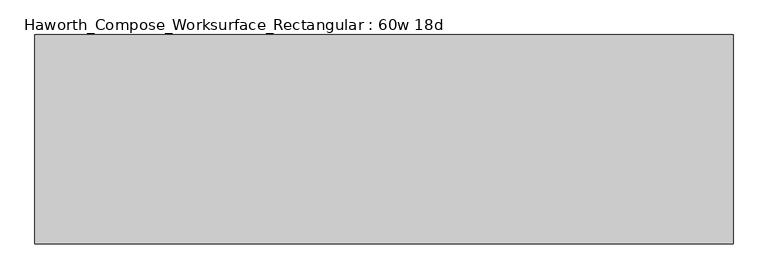
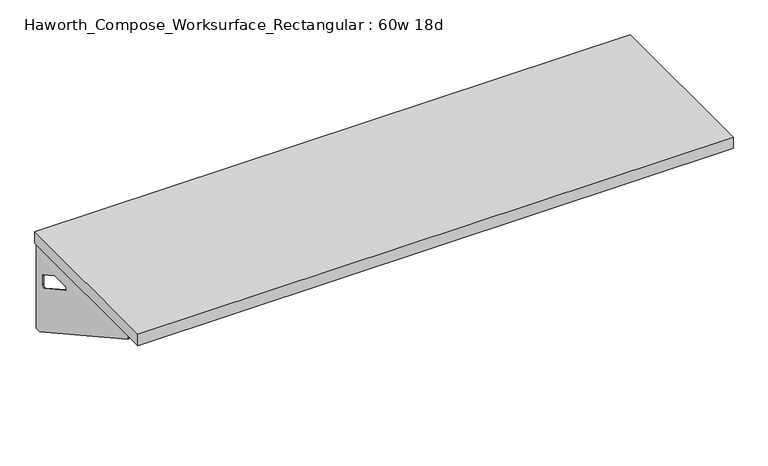
"""IFC4 building model written with IfcOpenShell, lengths in millimetres: furniture geometry, Haworth_Compose_Worksurface_Rectangular : 60w 18d."""

from ifc_helpers import new_model, si_unit, frame, origin, place, context, project, spatial, polyline, circle_curve, outline, extrude, source, transform, mapped, element, save
from ifc_brep_helpers import plane_surface, revolved_surface, advanced_brep


def haworth_compose_worksurface_rectangular_60w_18d_b9bd5556(model_context):
    return source(origin(), model_context, "Body", "SolidModel", [
        advanced_brep(
        [(756.44375, 228.6, 475.45625), (756.44375, 212.725, 475.45625), (756.44375, -177.8, 691.7192568), (756.44375, -177.8, 704.05625), (756.44375, 212.725, 704.05625), (756.44375, 228.6, 704.05625), (756.44375, 145.290072, 665.95625), (756.44375, 101.6355284, 665.95625), (756.44375, 98.9564235, 656.3705539), (756.44375, 190.6776173, 605.5776439), (756.44375, 200.025, 611.1756969), (756.44375, 200.025, 634.6860246), (756.44375, 198.2730055, 637.5242776), (756.44375, 148.3663437, 665.1613425), (758.825, 228.6, 475.45625), (758.825, 228.6, 704.05625), (758.825, 212.725, 704.05625), (758.825, 212.725, 706.4375), (758.825, -177.8, 706.4375), (758.825, -177.8, 691.7192568), (758.825, 212.725, 475.45625), (758.825, 145.290072, 665.95625), (758.825, 148.3663437, 665.1613425), (758.825, 198.2730055, 637.5242776), (758.825, 200.025, 634.6860246), (758.825, 200.025, 611.1756969), (758.825, 190.6776173, 605.5776439), (758.825, 98.9564235, 656.3705539), (758.825, 101.6355284, 665.95625), (717.55, -177.8, 706.4375), (717.55, -177.8, 704.05625), (717.55, 212.725, 704.05625), (717.55, 212.725, 706.4375)],
        [
            (0, 1),
            (1, 2),
            (2, 3),
            (3, 4),
            (4, 5),
            (5, 0),
            (6, 7),
            (7, 8, circle_curve(frame((756.44375, 101.6355284, 660.7890106), z_axis=(1.0, 0.0, 0.0), x_axis=(0.0, -1.0, 0.0)), 5.1672394)),
            (8, 9),
            (9, 10, circle_curve(frame((756.44375, 193.675, 611.1756969), z_axis=(1.0, 0.0, 0.0), x_axis=(0.0, -1.0, 0.0)), 6.35)),
            (10, 11),
            (11, 12, circle_curve(frame((756.44375, 196.85, 634.6860246), z_axis=(1.0, 0.0, 0.0), x_axis=(0.0, -1.0, 0.0)), 3.175)),
            (12, 13),
            (13, 6, circle_curve(frame((756.44375, 145.290072, 659.60625), z_axis=(1.0, 0.0, 0.0), x_axis=(0.0, -1.0, 0.0)), 6.35)),
            (14, 15),
            (15, 16),
            (16, 17),
            (17, 18),
            (18, 19),
            (19, 20),
            (20, 14),
            (21, 22, circle_curve(frame((758.825, 145.290072, 659.60625), z_axis=(-1.0, 0.0, 0.0), x_axis=(0.0, -1.0, 0.0)), 6.35)),
            (22, 23),
            (23, 24, circle_curve(frame((758.825, 196.85, 634.6860246), z_axis=(-1.0, 0.0, 0.0), x_axis=(0.0, -1.0, 0.0)), 3.175)),
            (24, 25),
            (25, 26, circle_curve(frame((758.825, 193.675, 611.1756969), z_axis=(-1.0, 0.0, 0.0), x_axis=(0.0, -1.0, 0.0)), 6.35)),
            (26, 27),
            (27, 28, circle_curve(frame((758.825, 101.6355284, 660.7890106), z_axis=(-1.0, 0.0, 0.0), x_axis=(0.0, -1.0, 0.0)), 5.1672394)),
            (28, 21),
            (4, 16),
            (15, 5),
            (14, 0),
            (20, 1),
            (19, 2),
            (18, 29),
            (29, 30),
            (30, 3),
            (6, 21),
            (28, 7),
            (9, 26),
            (25, 10),
            (24, 11),
            (23, 12),
            (27, 8),
            (31, 4),
            (30, 31),
            (32, 29),
            (17, 32),
            (31, 32),
            (22, 13),
        ],
        [
            plane_surface(frame((756.44375, 228.6, 475.45625), z_axis=(-1.0, 0.0, 0.0), x_axis=(0.0, 1.0, 0.0))),
            plane_surface(frame((758.825, 228.6, 475.45625), z_axis=(1.0, 0.0, 0.0), x_axis=(0.0, -1.0, 0.0))),
            plane_surface(frame((758.825, -177.8, 704.05625), z_axis=(0.0, 0.0, 1.0), x_axis=(-1.0, 0.0, 0.0))),
            plane_surface(frame((758.825, 228.6, 704.05625), z_axis=(0.0, 1.0, 0.0), x_axis=(-1.0, 0.0, 0.0))),
            plane_surface(frame((758.825, 228.6, 475.45625), z_axis=(0.0, 0.0, -1.0), x_axis=(-1.0, 0.0, 0.0))),
            plane_surface(frame((758.825, 212.725, 475.45625), z_axis=(0.0, -0.48445223513455843, -0.8748177135112952), x_axis=(-1.0, 0.0, 0.0))),
            plane_surface(frame((758.825, -177.8, 691.7192568), z_axis=(0.0, -1.0, 0.0), x_axis=(-1.0, 0.0, 0.0))),
            plane_surface(frame((758.825, 145.290072, 665.95625), z_axis=(0.0, 0.0, -1.0), x_axis=(-1.0, 0.0, 0.0))),
            revolved_surface(polyline([(756.44375, 187.32500000000002, 611.1756969), (758.825, 187.32500000000002, 611.1756969)]), (758.825, 193.675, 611.1756969), (-1.0, 0.0, 0.0)),
            plane_surface(frame((758.825, 200.025, 611.1756969), z_axis=(0.0, -1.0, 0.0), x_axis=(-1.0, 0.0, 0.0))),
            revolved_surface(polyline([(756.44375, 193.67499999999998, 634.6860246), (758.825, 193.67499999999998, 634.6860246)]), (758.825, 196.85, 634.6860246), (-1.0, 0.0, 0.0)),
            revolved_surface(polyline([(756.44375, 96.468289, 660.7890106), (758.825, 96.468289, 660.7890106)]), (758.825, 101.6355284, 660.7890106), (-1.0, 0.0, 0.0)),
            plane_surface(frame((758.825, 212.725, 704.05625), z_axis=(0.0, 0.0, -1.0), x_axis=(-1.0, 0.0, 0.0))),
            plane_surface(frame((758.825, 212.725, 706.4375), z_axis=(0.0, 0.0, 1.0), x_axis=(1.0, 0.0, 0.0))),
            plane_surface(frame((717.55, 212.725, 706.4375), z_axis=(0.0, 1.0, 0.0), x_axis=(0.0, 0.0, -1.0))),
            plane_surface(frame((717.55, -177.8, 706.4375), z_axis=(-1.0, 0.0, 0.0), x_axis=(0.0, 0.0, -1.0))),
            plane_surface(frame((758.825, 98.9564235, 656.3705539), z_axis=(0.0, 0.4844522351345583, 0.8748177135112953), x_axis=(-1.0, 0.0, 0.0))),
            plane_surface(frame((758.825, 198.2730055, 637.5242776), z_axis=(0.0, -0.4844522351345582, -0.8748177135112953), x_axis=(-1.0, 0.0, 0.0))),
            revolved_surface(polyline([(756.44375, 138.94007200000001, 659.60625), (758.825, 138.94007200000001, 659.60625)]), (758.825, 145.290072, 659.60625), (-1.0, 0.0, 0.0)),
        ],
        [
            (0, [[1, 2, 3, 4, 5, 6], [7, 8, 9, 10, 11, 12, 13, 14]]),
            (1, [[15, 16, 17, 18, 19, 20, 21], [22, 23, 24, 25, 26, 27, 28, 29]]),
            (2, [[-5, 30, -16, 31]]),
            (3, [[-31, -15, 32, -6]]),
            (4, [[-32, -21, 33, -1]]),
            (5, [[-33, -20, 34, -2]]),
            (6, [[-34, -19, 35, 36, 37, -3]]),
            (7, [[38, -29, 39, -7]]),
            (8, [[40, -26, 41, -10]]),
            (9, [[-41, -25, 42, -11]]),
            (10, [[-42, -24, 43, -12]]),
            (11, [[-39, -28, 44, -8]]),
            (12, [[45, -4, -37, 46]]),
            (13, [[47, -35, -18, 48]]),
            (14, [[-17, -30, -45, 49, -48]]),
            (15, [[-36, -47, -49, -46]]),
            (16, [[-44, -27, -40, -9]]),
            (17, [[-43, -23, 50, -13]]),
            (18, [[-50, -22, -38, -14]]),
        ],
    ),
        advanced_brep(
        [(-756.44375, 228.6, 475.45625), (-756.44375, 228.6, 704.05625), (-756.44375, 212.725, 704.05625), (-756.44375, -177.8, 704.05625), (-756.44375, -177.8, 691.7192568), (-756.44375, 212.725, 475.45625), (-756.44375, 145.290072, 665.95625), (-756.44375, 148.3663437, 665.1613425), (-756.44375, 198.2730055, 637.5242776), (-756.44375, 200.025, 634.6860246), (-756.44375, 200.025, 611.1756969), (-756.44375, 190.6776173, 605.5776439), (-756.44375, 98.9564235, 656.3705539), (-756.44375, 101.6355284, 665.95625), (-758.825, 228.6, 475.45625), (-758.825, 212.725, 475.45625), (-758.825, -177.8, 691.7192568), (-758.825, -177.8, 706.4375), (-758.825, 212.725, 706.4375), (-758.825, 212.725, 704.05625), (-758.825, 228.6, 704.05625), (-758.825, 145.290072, 665.95625), (-758.825, 101.6355284, 665.95625), (-758.825, 98.9564235, 656.3705539), (-758.825, 190.6776173, 605.5776439), (-758.825, 200.025, 611.1756969), (-758.825, 200.025, 634.6860246), (-758.825, 198.2730055, 637.5242776), (-758.825, 148.3663437, 665.1613425), (-717.55, -177.8, 704.05625), (-717.55, -177.8, 706.4375), (-717.55, 212.725, 704.05625), (-717.55, 212.725, 706.4375)],
        [
            (0, 1),
            (1, 2),
            (2, 3),
            (3, 4),
            (4, 5),
            (5, 0),
            (6, 7, circle_curve(frame((-756.44375, 145.290072, 659.60625), z_axis=(-1.0, 0.0, 0.0), x_axis=(0.0, -1.0, 0.0)), 6.35)),
            (7, 8),
            (8, 9, circle_curve(frame((-756.44375, 196.85, 634.6860246), z_axis=(-1.0, 0.0, 0.0), x_axis=(0.0, -1.0, 0.0)), 3.175)),
            (9, 10),
            (10, 11, circle_curve(frame((-756.44375, 193.675, 611.1756969), z_axis=(-1.0, 0.0, 0.0), x_axis=(0.0, -1.0, 0.0)), 6.35)),
            (11, 12),
            (12, 13, circle_curve(frame((-756.44375, 101.6355284, 660.7890106), z_axis=(-1.0, 0.0, 0.0), x_axis=(0.0, -1.0, 0.0)), 5.1672394)),
            (13, 6),
            (14, 15),
            (15, 16),
            (16, 17),
            (17, 18),
            (18, 19),
            (19, 20),
            (20, 14),
            (21, 22),
            (22, 23, circle_curve(frame((-758.825, 101.6355284, 660.7890106), z_axis=(1.0, 0.0, 0.0), x_axis=(0.0, -1.0, 0.0)), 5.1672394)),
            (23, 24),
            (24, 25, circle_curve(frame((-758.825, 193.675, 611.1756969), z_axis=(1.0, 0.0, 0.0), x_axis=(0.0, -1.0, 0.0)), 6.35)),
            (25, 26),
            (26, 27, circle_curve(frame((-758.825, 196.85, 634.6860246), z_axis=(1.0, 0.0, 0.0), x_axis=(0.0, -1.0, 0.0)), 3.175)),
            (27, 28),
            (28, 21, circle_curve(frame((-758.825, 145.290072, 659.60625), z_axis=(1.0, 0.0, 0.0), x_axis=(0.0, -1.0, 0.0)), 6.35)),
            (1, 20),
            (19, 2),
            (0, 14),
            (5, 15),
            (4, 16),
            (3, 29),
            (29, 30),
            (30, 17),
            (13, 22),
            (21, 6),
            (10, 25),
            (24, 11),
            (9, 26),
            (8, 27),
            (12, 23),
            (31, 29),
            (2, 31),
            (32, 18),
            (30, 32),
            (32, 31),
            (7, 28),
        ],
        [
            plane_surface(frame((-756.44375, 228.6, 475.45625), z_axis=(1.0, 0.0, 0.0), x_axis=(0.0, 1.0, 0.0))),
            plane_surface(frame((-758.825, 228.6, 475.45625), z_axis=(-1.0, 0.0, 0.0), x_axis=(0.0, -1.0, 0.0))),
            plane_surface(frame((-758.825, -177.8, 704.05625), z_axis=(0.0, 0.0, 1.0), x_axis=(1.0, 0.0, 0.0))),
            plane_surface(frame((-758.825, 228.6, 704.05625), z_axis=(0.0, 1.0, 0.0), x_axis=(1.0, 0.0, 0.0))),
            plane_surface(frame((-758.825, 228.6, 475.45625), z_axis=(0.0, 0.0, -1.0), x_axis=(1.0, 0.0, 0.0))),
            plane_surface(frame((-758.825, 212.725, 475.45625), z_axis=(0.0, -0.48445223513455843, -0.8748177135112952), x_axis=(1.0, 0.0, 0.0))),
            plane_surface(frame((-758.825, -177.8, 691.7192568), z_axis=(0.0, -1.0, 0.0), x_axis=(1.0, 0.0, 0.0))),
            plane_surface(frame((-758.825, 145.290072, 665.95625), z_axis=(0.0, 0.0, -1.0), x_axis=(1.0, 0.0, 0.0))),
            revolved_surface(polyline([(-756.44375, 187.32500000000002, 611.1756969), (-758.825, 187.32500000000002, 611.1756969)]), (-758.825, 193.675, 611.1756969), (1.0, 0.0, 0.0)),
            plane_surface(frame((-758.825, 200.025, 611.1756969), z_axis=(0.0, -1.0, 0.0), x_axis=(1.0, 0.0, 0.0))),
            revolved_surface(polyline([(-756.44375, 193.67499999999998, 634.6860246), (-758.825, 193.67499999999998, 634.6860246)]), (-758.825, 196.85, 634.6860246), (1.0, 0.0, 0.0)),
            revolved_surface(polyline([(-756.44375, 96.468289, 660.7890106), (-758.825, 96.468289, 660.7890106)]), (-758.825, 101.6355284, 660.7890106), (1.0, 0.0, 0.0)),
            plane_surface(frame((-758.825, 212.725, 704.05625), z_axis=(0.0, 0.0, -1.0), x_axis=(1.0, 0.0, 0.0))),
            plane_surface(frame((-758.825, 212.725, 706.4375), z_axis=(0.0, 0.0, 1.0), x_axis=(-1.0, 0.0, 0.0))),
            plane_surface(frame((-717.55, 212.725, 706.4375), z_axis=(0.0, 1.0, 0.0), x_axis=(0.0, 0.0, -1.0))),
            plane_surface(frame((-717.55, -177.8, 706.4375), z_axis=(1.0, 0.0, 0.0), x_axis=(0.0, 0.0, -1.0))),
            plane_surface(frame((-758.825, 98.9564235, 656.3705539), z_axis=(0.0, 0.4844522351345583, 0.8748177135112953), x_axis=(1.0, 0.0, 0.0))),
            plane_surface(frame((-758.825, 198.2730055, 637.5242776), z_axis=(0.0, -0.4844522351345582, -0.8748177135112953), x_axis=(1.0, 0.0, 0.0))),
            revolved_surface(polyline([(-756.44375, 138.94007200000001, 659.60625), (-758.825, 138.94007200000001, 659.60625)]), (-758.825, 145.290072, 659.60625), (1.0, 0.0, 0.0)),
        ],
        [
            (0, [[1, 2, 3, 4, 5, 6], [7, 8, 9, 10, 11, 12, 13, 14]]),
            (1, [[15, 16, 17, 18, 19, 20, 21], [22, 23, 24, 25, 26, 27, 28, 29]]),
            (2, [[30, -20, 31, -2]]),
            (3, [[-1, 32, -21, -30]]),
            (4, [[-6, 33, -15, -32]]),
            (5, [[-5, 34, -16, -33]]),
            (6, [[-4, 35, 36, 37, -17, -34]]),
            (7, [[-14, 38, -22, 39]]),
            (8, [[-11, 40, -25, 41]]),
            (9, [[-10, 42, -26, -40]]),
            (10, [[-9, 43, -27, -42]]),
            (11, [[-13, 44, -23, -38]]),
            (12, [[45, -35, -3, 46]]),
            (13, [[47, -18, -37, 48]]),
            (14, [[-47, 49, -46, -31, -19]]),
            (15, [[-45, -49, -48, -36]]),
            (16, [[-12, -41, -24, -44]]),
            (17, [[-8, 50, -28, -43]]),
            (18, [[-7, -39, -29, -50]]),
        ],
    ),
        extrude(outline(polyline([(762.0, 228.6), (762.0, -228.6), (-762.0, -228.6), (-762.0, 228.6), (762.0, 228.6)])), frame((0.0, 0.0, 706.4375), z_axis=(0.0, 0.0, 1.0), x_axis=(1.0, 0.0, 0.0)), (0.0, 0.0, 1.0), 30.1625),
    ])


if __name__ == "__main__":
    model = new_model("IFC4")
    model_context = context("Model", 3, world=origin())
    ifc_project = project(units=[si_unit("LENGTHUNIT", "METRE", prefix="MILLI")], contexts=[model_context])
    site = spatial("IfcSite", under=ifc_project)
    building = spatial("IfcBuilding", under=site)
    placement = place(None, origin())
    haworth_compose_worksurface_rectangular_60w_18d_shape = haworth_compose_worksurface_rectangular_60w_18d_b9bd5556(model_context)
    element("IfcFurniture", 1, ObjectType="Haworth_Compose_Worksurface_Rectangular : 60w 18d", at=placement, inside=building, context=model_context, shape_type="MappedRepresentation", body=[
        mapped(haworth_compose_worksurface_rectangular_60w_18d_shape, transform((0.0, 0.0, 0.0), x_axis=(1.0, 0.0, 0.0), y_axis=(0.0, 1.0, 0.0), z_axis=(0.0, 0.0, 1.0))),
    ])
    save(model, "model.ifc")
